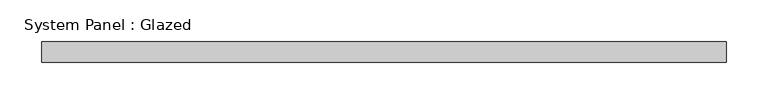
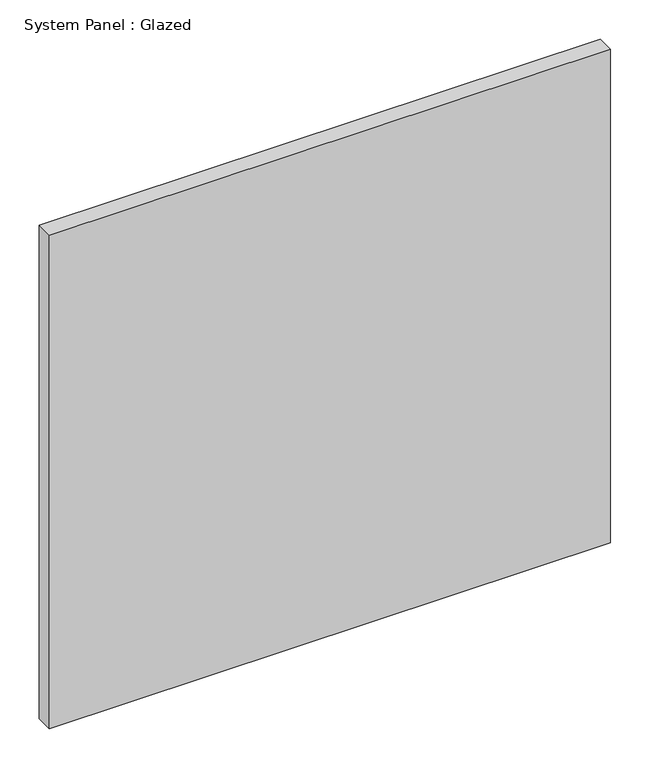
"""IFC4 building model written with IfcOpenShell, lengths in millimetres: plate geometry, System Panel : Glazed."""

from ifc_helpers import new_model, si_unit, origin, origin_with_axes, place, context, project, spatial, polyline, outline, extrude, source, transform, mapped, element, save


def system_panel_glazed_aef6944c(model_context):
    return source(origin(), model_context, "Body", "SweptSolid", [
        extrude(outline(polyline([(412.5, -49.5), (-412.5, -49.5), (-412.5, -24.5), (412.5, -24.5), (412.5, -49.5)])), origin_with_axes(), (0.0, 0.0, 1.0), 766.6666667),
    ])


if __name__ == "__main__":
    model = new_model("IFC4")
    model_context = context("Model", 3, world=origin())
    ifc_project = project(units=[si_unit("LENGTHUNIT", "METRE", prefix="MILLI")], contexts=[model_context])
    site = spatial("IfcSite", under=ifc_project)
    building = spatial("IfcBuilding", under=site)
    placement = place(None, origin())
    system_panel_glazed_shape = system_panel_glazed_aef6944c(model_context)
    element("IfcPlate", 1, ObjectType="System Panel : Glazed", at=placement, inside=building, context=model_context, shape_type="MappedRepresentation", body=[
        mapped(system_panel_glazed_shape, transform((0.0, 0.0, 0.0), x_axis=(1.0, 0.0, 0.0), y_axis=(0.0, 1.0, 0.0), z_axis=(0.0, 0.0, 1.0))),
    ])
    save(model, "model.ifc")
